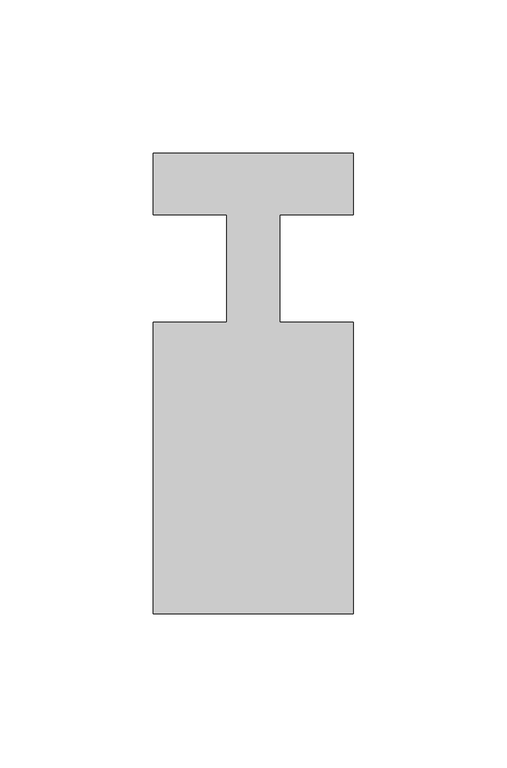
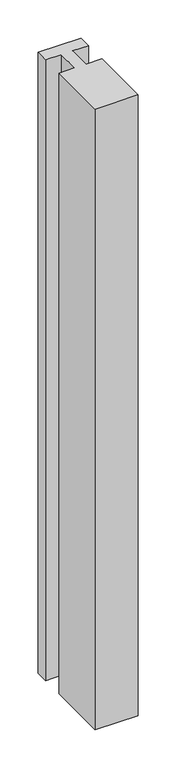
"""IFC4 building model written with IfcOpenShell, lengths in millimetres: member geometry."""

import ifcopenshell
import ifcopenshell.guid

model = None  # the IFC model being written
_history = None  # IfcOwnerHistory: only IFC2X3 demands one
_inside = {}  # id of a spatial element -> (the spatial element, [elements in it])
_under = {}  # id of a project, library or spatial element -> (it, [spatial elements below it])
_declared = {}  # id of a project -> (the project, [libraries it declares])
_typed = {}  # id of a type object -> (the type object, [elements of that type])
_made_of = {}  # id of a material, layer set ... -> (it, [elements and type objects made of it])


def new_model(schema):
    """Start an empty IFC model of exactly this schema.

    Asked for "IFC4X3", IfcOpenShell would pick the latest addendum, in which some entities
    have other attributes; the version numbers below select the first issue.
    IFC2X3 requires an IfcOwnerHistory on every rooted entity: one is made here for all.
    """
    global model, _history
    if schema == "IFC4X3":
        model = ifcopenshell.file(schema_version=(4, 3, 0, 0))
    else:
        model = ifcopenshell.file(schema=schema)
    _inside.clear()
    _under.clear()
    _declared.clear()
    _typed.clear()
    _made_of.clear()
    _history = None
    if model.schema == "IFC2X3":
        org = make("IfcOrganization", Name="unknown")
        user = make(
            "IfcPersonAndOrganization",
            ThePerson=make("IfcPerson", FamilyName="unknown"),
            TheOrganization=org,
        )
        app = make(
            "IfcApplication",
            ApplicationDeveloper=org,
            Version="unknown",
            ApplicationFullName="unknown",
            ApplicationIdentifier="unknown",
        )
        _history = make(
            "IfcOwnerHistory",
            OwningUser=user,
            OwningApplication=app,
            ChangeAction="ADDED",
            CreationDate=0,
        )
    return model


def make(cls, **values):
    """One entity of the class cls with the attributes given. An attribute that is None is left unset."""
    return model.create_entity(
        cls, **{name: value for name, value in values.items() if value is not None}
    )


def rooted(cls, **values):
    """An entity with a GlobalId (a new one), such as an element, a storey or a relation."""
    return make(cls, GlobalId=ifcopenshell.guid.new(), OwnerHistory=_history, **values)


def si_unit(unit_type, name, prefix=None):
    """IfcSIUnit, for example si_unit("LENGTHUNIT", "METRE", prefix="MILLI")."""
    return make("IfcSIUnit", UnitType=unit_type, Prefix=prefix, Name=name)


def assignment(units):
    """IfcUnitAssignment: the units of a project."""
    return None if units is None else make("IfcUnitAssignment", Units=units)


def point(xyz):
    """IfcCartesianPoint."""
    return None if xyz is None else make("IfcCartesianPoint", Coordinates=xyz)


def direction(xyz):
    """IfcDirection."""
    return None if xyz is None else make("IfcDirection", DirectionRatios=xyz)


def frame(location, z_axis=None, x_axis=None):
    """IfcAxis2Placement3D, a coordinate frame: its origin and axes. An axis left out is left unset."""
    return make(
        "IfcAxis2Placement3D",
        Location=point(location),
        Axis=direction(z_axis),
        RefDirection=direction(x_axis),
    )


def origin():
    """The frame at (0, 0, 0) with its axes left unset."""
    return frame((0.0, 0.0, 0.0))


def place(relative_to, where):
    """IfcLocalPlacement: puts the frame where relative to a parent placement (None: the world)."""
    return make(
        "IfcLocalPlacement", PlacementRelTo=relative_to, RelativePlacement=where
    )


def context(
    kind, dimensions, precision=None, world=None, true_north=None, identifier=None
):
    """IfcGeometricRepresentationContext, for example the 3D "Model" context."""
    return make(
        "IfcGeometricRepresentationContext",
        ContextIdentifier=identifier,
        ContextType=kind,
        CoordinateSpaceDimension=dimensions,
        Precision=precision,
        WorldCoordinateSystem=world,
        TrueNorth=true_north,
    )


def project(units=None, contexts=None):
    """IfcProject with its units and contexts."""
    return rooted(
        "IfcProject",
        Name="project",
        RepresentationContexts=contexts,
        UnitsInContext=assignment(units),
    )


def spatial(cls, under=None, at=None, **own):
    """A site, building, storey or space (cls), placed at a placement, below another one or the project."""
    s = rooted(cls, ObjectPlacement=at, **own)
    if under is not None:
        _under.setdefault(under.id(), (under, []))[1].append(s)
    return s


def polyline(points):
    """IfcPolyline through the points."""
    return make("IfcPolyline", Points=[point(p) for p in points])


def outline(outer, holes=None, kind="AREA"):
    """IfcArbitraryClosedProfileDef: a profile drawn as a closed curve; with holes, ...WithVoids."""
    if holes is None:
        return make("IfcArbitraryClosedProfileDef", ProfileType=kind, OuterCurve=outer)
    return make(
        "IfcArbitraryProfileDefWithVoids",
        ProfileType=kind,
        OuterCurve=outer,
        InnerCurves=holes,
    )


def extrude(swept, where, along, depth):
    """IfcExtrudedAreaSolid: the profile swept, set in the frame where, extruded along a direction by depth."""
    return make(
        "IfcExtrudedAreaSolid",
        SweptArea=swept,
        Position=where,
        ExtrudedDirection=direction(along),
        Depth=depth,
    )


def shape(context_of_items, identifier, shape_type, items):
    """IfcShapeRepresentation: the items that make up one representation, for example the "Body"."""
    return make(
        "IfcShapeRepresentation",
        ContextOfItems=context_of_items,
        RepresentationIdentifier=identifier,
        RepresentationType=shape_type,
        Items=items,
    )


def source(mapping_origin, context_of_items, identifier, shape_type, items):
    """IfcRepresentationMap: a shape defined once, which mapped items show again and again."""
    return make(
        "IfcRepresentationMap",
        MappingOrigin=mapping_origin,
        MappedRepresentation=shape(context_of_items, identifier, shape_type, items),
    )


def transform(
    local_origin,
    x_axis=None,
    y_axis=None,
    z_axis=None,
    scale=None,
    scale2=None,
    scale3=None,
    uniform=True,
):
    """IfcCartesianTransformationOperator3D, or its non-uniform kind. x_axis, y_axis, z_axis: its Axis1, 2, 3."""
    if uniform:
        return make(
            "IfcCartesianTransformationOperator3D",
            Axis1=direction(x_axis),
            Axis2=direction(y_axis),
            LocalOrigin=point(local_origin),
            Scale=scale,
            Axis3=direction(z_axis),
        )
    return make(
        "IfcCartesianTransformationOperator3DnonUniform",
        Axis1=direction(x_axis),
        Axis2=direction(y_axis),
        LocalOrigin=point(local_origin),
        Scale=scale,
        Axis3=direction(z_axis),
        Scale2=scale2,
        Scale3=scale3,
    )


def mapped(mapping_source, mapping_target):
    """IfcMappedItem: shows the shape of a source again, moved by a transform."""
    return make(
        "IfcMappedItem", MappingSource=mapping_source, MappingTarget=mapping_target
    )


def made_of(thing, what):
    """Note that an element or type object is made of a material, layer set ...; save() writes the relation."""
    if what is not None:
        _made_of.setdefault(what.id(), (what, []))[1].append(thing)
    return thing


def element(
    cls,
    number,
    at=None,
    inside=None,
    cuts=None,
    type_object=None,
    material=None,
    context=None,
    identifier="Body",
    shape_type=None,
    held_by="IfcProductDefinitionShape",
    body=None,
    shapes=None,
    **own,
):
    """One element of the class cls, such as IfcWall. Its Tag is "e" and its number.

    at: its placement. inside: the storey or other place that contains it. cuts: it is an
    opening in that element (IfcRelVoidsElement). A single representation is given by context,
    identifier, shape_type and body (its items); several are given by shapes. held_by: the class
    of the entity that holds the representations. save() writes the other relations.
    """
    e = rooted(cls, Tag="e%d" % number, ObjectPlacement=at, **own)
    if body is not None:
        shapes = [shape(context, identifier, shape_type, body)]
    if shapes is not None:
        e.Representation = make(held_by, Representations=shapes)
    if inside is not None:
        _inside.setdefault(inside.id(), (inside, []))[1].append(e)
    if cuts is not None:
        rooted(
            "IfcRelVoidsElement", RelatingBuildingElement=cuts, RelatedOpeningElement=e
        )
    if type_object is not None:
        _typed.setdefault(type_object.id(), (type_object, []))[1].append(e)
    return made_of(e, material)


def aggregate(whole, parts):
    """IfcRelAggregates: a whole, such as a stair, and the parts it consists of."""
    return rooted("IfcRelAggregates", RelatingObject=whole, RelatedObjects=parts)


def save(model, path):
    """Write the relations noted so far, then the file.

    IfcRelAggregates (storeys below a building ...), IfcRelContainedInSpatialStructure (elements
    in a storey), IfcRelDefinesByType, IfcRelAssociatesMaterial and IfcRelDeclares: one each for
    every whole, place, type object, material and project.
    """
    for whole, parts in _under.values():
        aggregate(whole, parts)
    for where, things in _inside.values():
        rooted(
            "IfcRelContainedInSpatialStructure",
            RelatedElements=things,
            RelatingStructure=where,
        )
    for kind, things in _typed.values():
        rooted("IfcRelDefinesByType", RelatedObjects=things, RelatingType=kind)
    for what, things in _made_of.values():
        rooted("IfcRelAssociatesMaterial", RelatedObjects=things, RelatingMaterial=what)
    for by, libraries in _declared.values():
        rooted("IfcRelDeclares", RelatingContext=by, RelatedDefinitions=libraries)
    model.write(path)


def member_62a65383(model_context):
    return source(origin(), model_context, "Body", "SweptSolid", [
        extrude(outline(polyline([(-65.0, 37.0), (0.0, 37.0), (0.0, 17.0), (-23.8125, 17.0), (-23.8125, -18.0), (0.0, -18.0), (0.0, -113.0), (-65.0, -113.0), (-65.0, -18.0), (-41.1875, -18.0), (-41.1875, 17.0), (-65.0, 17.0), (-65.0, 37.0)])), frame((0.0, 0.0, -993.625), z_axis=(0.0, 0.0, 1.0), x_axis=(1.0, 0.0, 0.0)), (0.0, 0.0, 1.0), 993.625),
    ])


if __name__ == "__main__":
    model = new_model("IFC4")
    model_context = context("Model", 3, world=origin())
    ifc_project = project(units=[si_unit("LENGTHUNIT", "METRE", prefix="MILLI")], contexts=[model_context])
    site = spatial("IfcSite", under=ifc_project)
    building = spatial("IfcBuilding", under=site)
    placement = place(None, origin())
    member_shape = member_62a65383(model_context)
    element("IfcMember", 1, at=placement, inside=building, context=model_context, shape_type="MappedRepresentation", body=[
        mapped(member_shape, transform((0.0, 0.0, 0.0), x_axis=(1.0, 0.0, 0.0), y_axis=(0.0, 1.0, 0.0), z_axis=(0.0, 0.0, 1.0))),
    ])
    save(model, "model.ifc")
